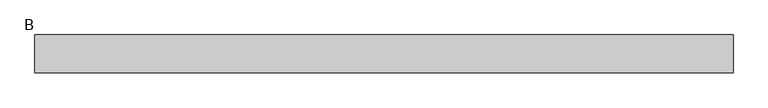
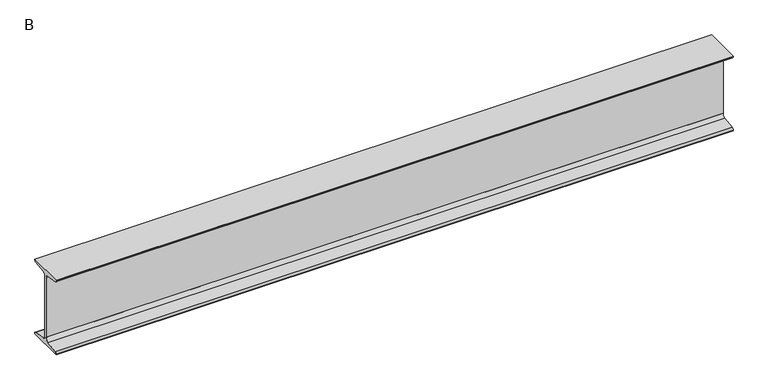
"""IFC4 building model written with IfcOpenShell, lengths in millimetres: beam geometry, B."""

from ifc_helpers import new_model, si_unit, point, frame, frame_2d, origin, place, context, project, spatial, polyline, circle_curve, trimmed, segment, composite_curve, outline, extrude, source, transform, mapped, element, save


def b_5d0a258f(model_context):
    return source(origin(), model_context, "Body", "SweptSolid", [
        extrude(outline(composite_curve([segment(polyline([(70.0, 150.0), (70.0, 147.6333953)]), True, "CONTINUOUS"), segment(trimmed(circle_curve(frame_2d((63.0, 147.6333953)), 7.0), [point((70.0, 147.6333953))], [point((63.9742117, 140.7015188))], False, "CARTESIAN"), True, "CONTINUOUS"), segment(polyline([(63.9742117, 140.7015188), (15.9015766, 133.9453505)]), True, "CONTINUOUS"), segment(trimmed(circle_curve(frame_2d((17.85, 120.0815976)), 14.0), [point((15.9015766, 133.9453505))], [point((3.85, 120.0815976))], True, "CARTESIAN"), True, "CONTINUOUS"), segment(polyline([(3.85, 120.0815976), (3.85, -120.0815976)]), True, "CONTINUOUS"), segment(trimmed(circle_curve(frame_2d((17.85, -120.0815976)), 14.0), [point((3.85, -120.0815976))], [point((15.9015766, -133.9453505))], True, "CARTESIAN"), True, "CONTINUOUS"), segment(polyline([(15.9015766, -133.9453505), (63.9742117, -140.7015188)]), True, "CONTINUOUS"), segment(trimmed(circle_curve(frame_2d((63.0, -147.6333953)), 7.0), [point((63.9742117, -140.7015188))], [point((70.0, -147.6333953))], False, "CARTESIAN"), True, "CONTINUOUS"), segment(polyline([(70.0, -147.6333953), (70.0, -150.0), (-70.0, -150.0), (-70.0, -147.6333953)]), True, "CONTINUOUS"), segment(trimmed(circle_curve(frame_2d((-63.0, -147.6333953)), 7.0), [point((-70.0, -147.6333953))], [point((-63.9742117, -140.7015188))], False, "CARTESIAN"), True, "CONTINUOUS"), segment(polyline([(-63.9742117, -140.7015188), (-15.9015766, -133.9453505)]), True, "CONTINUOUS"), segment(trimmed(circle_curve(frame_2d((-17.85, -120.0815976)), 14.0), [point((-15.9015766, -133.9453505))], [point((-3.85, -120.0815976))], True, "CARTESIAN"), True, "CONTINUOUS"), segment(polyline([(-3.85, -120.0815976), (-3.85, 120.0815976)]), True, "CONTINUOUS"), segment(trimmed(circle_curve(frame_2d((-17.85, 120.0815976)), 14.0), [point((-3.85, 120.0815976))], [point((-15.9015766, 133.9453505))], True, "CARTESIAN"), True, "CONTINUOUS"), segment(polyline([(-15.9015766, 133.9453505), (-63.9742117, 140.7015188)]), True, "CONTINUOUS"), segment(trimmed(circle_curve(frame_2d((-63.0, 147.6333953)), 7.0), [point((-63.9742117, 140.7015188))], [point((-70.0, 147.6333953))], False, "CARTESIAN"), True, "CONTINUOUS"), segment(polyline([(-70.0, 147.6333953), (-70.0, 150.0), (70.0, 150.0)]), True, "CONTINUOUS")], self_intersect=False)), frame((-1287.3, 0.0, 0.0), z_axis=(1.0, 0.0, 0.0), x_axis=(0.0, 1.0, 0.0)), (0.0, 0.0, 1.0), 2574.6),
    ])


if __name__ == "__main__":
    model = new_model("IFC4")
    model_context = context("Model", 3, world=origin())
    ifc_project = project(units=[si_unit("LENGTHUNIT", "METRE", prefix="MILLI")], contexts=[model_context])
    site = spatial("IfcSite", under=ifc_project)
    building = spatial("IfcBuilding", under=site)
    placement = place(None, origin())
    b_shape = b_5d0a258f(model_context)
    element("IfcBeam", 1, ObjectType="B", at=placement, inside=building, context=model_context, shape_type="MappedRepresentation", body=[
        mapped(b_shape, transform((0.0, 0.0, 0.0), x_axis=(1.0, 0.0, 0.0), y_axis=(0.0, 1.0, 0.0), z_axis=(0.0, 0.0, 1.0))),
    ])
    save(model, "model.ifc")
